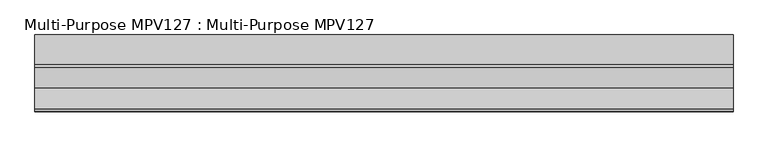
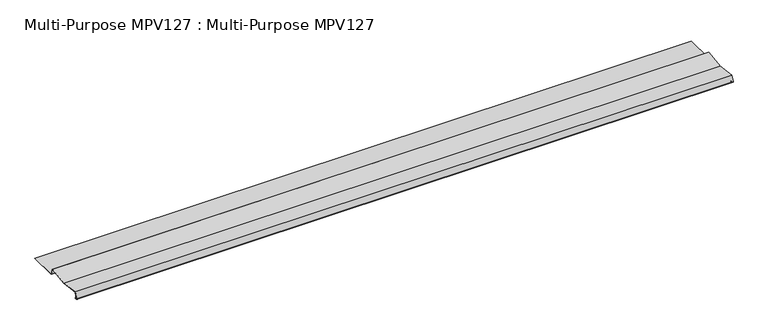
"""IFC4 building model written with IfcOpenShell, lengths in millimetres: proxy geometry, Multi-Purpose MPV127 : Multi-Purpose MPV127."""

from ifc_helpers import new_model, si_unit, point, frame, frame_2d, origin, place, context, project, spatial, polyline, circle_curve, trimmed, segment, composite_curve, outline, extrude, source, transform, mapped, element, save


def multi_purpose_mpv127_multi_purpose_mpv127_7cfa56b5(model_context):
    return source(origin(), model_context, "Body", "SweptSolid", [
        extrude(outline(composite_curve([segment(polyline([(-230.5240335, 159.0131687), (-231.0583481, 158.4006724), (-231.9394526, 159.1693089)]), True, "CONTINUOUS"), segment(trimmed(circle_curve(frame_2d((-233.2376701, 157.6811342)), 1.97485), [point((-231.9394526, 159.1693089))], [point((-234.3274253, 159.3280908))], True, "CARTESIAN"), True, "CONTINUOUS"), segment(polyline([(-234.3274253, 159.3280908), (-237.1306566, 157.473254)]), True, "CONTINUOUS"), segment(trimmed(circle_curve(frame_2d((-238.4446701, 159.4591342)), 2.38125), [point((-237.1306566, 157.473254))], [point((-240.6823132, 160.2735697))], False, "CARTESIAN"), True, "CONTINUOUS"), segment(polyline([(-240.6823132, 160.2735697), (-230.5852276, 188.0150842), (-138.5102276, 175.3150842), (-46.4352276, 188.0150842), (-35.1750077, 157.0778842), (94.4540799, 157.0778842), (94.4540799, 156.2650842), (-35.7441364, 156.2650842), (-46.9744833, 187.1202088), (-138.5102276, 174.4945889), (-230.0459719, 187.1202088), (-239.918531, 159.9955757)]), True, "CONTINUOUS"), segment(trimmed(circle_curve(frame_2d((-238.4446701, 159.4591342)), 1.56845), [point((-239.918531, 159.9955757))], [point((-237.5791732, 158.1511011))], True, "CARTESIAN"), True, "CONTINUOUS"), segment(polyline([(-237.5791732, 158.1511011), (-234.7759419, 160.0059379)]), True, "CONTINUOUS"), segment(trimmed(circle_curve(frame_2d((-233.2376701, 157.6811342)), 2.78765), [point((-234.7759419, 160.0059379))], [point((-231.405138, 159.7818052))], False, "CARTESIAN"), True, "CONTINUOUS"), segment(polyline([(-231.405138, 159.7818052), (-230.5240335, 159.0131687)]), True, "CONTINUOUS")], self_intersect=False)), frame((-1102.2989423, 0.0, 0.0), z_axis=(1.0, 0.0, 0.0), x_axis=(0.0, 1.0, 0.0)), (0.0, 0.0, 1.0), 3048.0),
    ])


if __name__ == "__main__":
    model = new_model("IFC4")
    model_context = context("Model", 3, world=origin())
    ifc_project = project(units=[si_unit("LENGTHUNIT", "METRE", prefix="MILLI")], contexts=[model_context])
    site = spatial("IfcSite", under=ifc_project)
    building = spatial("IfcBuilding", under=site)
    placement = place(None, origin())
    multi_purpose_mpv127_multi_purpose_mpv127_shape = multi_purpose_mpv127_multi_purpose_mpv127_7cfa56b5(model_context)
    element("IfcBuildingElementProxy", 1, Name="Multi-Purpose MPV127 : Multi-Purpose MPV127", ObjectType="Multi-Purpose MPV127 : Multi-Purpose MPV127", at=placement, inside=building, context=model_context, shape_type="MappedRepresentation", body=[
        mapped(multi_purpose_mpv127_multi_purpose_mpv127_shape, transform((0.0, 0.0, 0.0), x_axis=(1.0, 0.0, 0.0), y_axis=(0.0, 1.0, 0.0), z_axis=(0.0, 0.0, 1.0))),
    ])
    save(model, "model.ifc")
